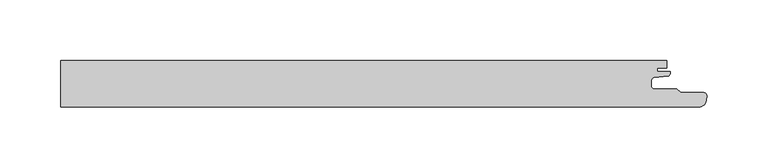
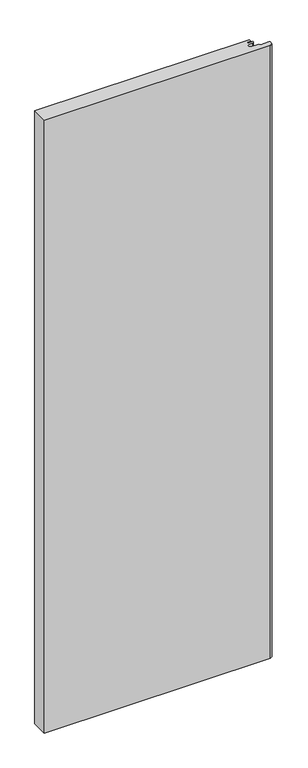
"""IFC4 building model written with IfcOpenShell, lengths in millimetres: proxy geometry."""

from ifc_helpers import new_model, si_unit, point, frame_2d, origin, origin_with_axes, place, context, project, spatial, polyline, circle_curve, trimmed, segment, composite_curve, outline, extrude, source, transform, mapped, element, save


def generic_models_9ad39102(model_context):
    return source(origin(), model_context, "Body", "SweptSolid", [
        extrude(outline(composite_curve([segment(trimmed(circle_curve(frame_2d((486.8260066, -1.8038036)), 2.4961988), [point((484.3298107, -1.8000001))], [point((486.8298083, -4.2999995))], True, "CARTESIAN"), True, "CONTINUOUS"), segment(polyline([(486.8298083, -4.2999995), (505.4082234, -4.2999995), (508.408237, -7.3), (527.5001275, -7.3)]), True, "CONTINUOUS"), segment(trimmed(circle_curve(frame_2d((527.1899828, -10.273035)), 2.9891683), [point((527.5001275, -7.3))], [point((530.1174781, -10.8771031))], False, "CARTESIAN"), True, "CONTINUOUS"), segment(polyline([(530.1174781, -10.8771031), (529.0259034, -15.1970619)]), True, "CONTINUOUS"), segment(trimmed(circle_curve(frame_2d((523.545754, -13.15)), 5.85), [point((529.0259034, -15.1970619))], [point((523.545754, -19.0))], False, "CARTESIAN"), True, "CONTINUOUS"), segment(polyline([(523.545754, -19.0), (0.0, -19.0), (0.0, 19.0), (497.1797973, 19.0), (497.1797973, 13.0), (489.1798407, 13.0), (489.1798407, 10.0000004), (499.9, 10.0000004), (499.9, 8.6411684)]), True, "CONTINUOUS"), segment(trimmed(circle_curve(frame_2d((497.0478272, 8.7794849)), 2.8555247), [point((499.9, 8.6411684))], [point((498.354128, 6.2402726))], False, "CARTESIAN"), True, "CONTINUOUS"), segment(polyline([(498.354128, 6.2402726), (486.6119534, 5.2129632)]), True, "CONTINUOUS"), segment(trimmed(circle_curve(frame_2d((487.1582199, 2.4215379)), 2.8443739), [point((486.6119534, 5.2129632))], [point((484.3298107, 2.7224763))], True, "CARTESIAN"), True, "CONTINUOUS"), segment(polyline([(484.3298107, 2.7224763), (484.3298107, -1.8000001)]), True, "CONTINUOUS")], self_intersect=False)), origin_with_axes(), (0.0, 0.0, 1.0), 1500.0),
    ])


if __name__ == "__main__":
    model = new_model("IFC4")
    model_context = context("Model", 3, world=origin())
    ifc_project = project(units=[si_unit("LENGTHUNIT", "METRE", prefix="MILLI")], contexts=[model_context])
    site = spatial("IfcSite", under=ifc_project)
    building = spatial("IfcBuilding", under=site)
    placement = place(None, origin())
    generic_models_shape = generic_models_9ad39102(model_context)
    element("IfcBuildingElementProxy", 1, Name="Generic Models", at=placement, inside=building, context=model_context, shape_type="MappedRepresentation", body=[
        mapped(generic_models_shape, transform((0.0, 0.0, 0.0), x_axis=(1.0, 0.0, 0.0), y_axis=(0.0, 1.0, 0.0), z_axis=(0.0, 0.0, 1.0))),
    ])
    save(model, "model.ifc")
